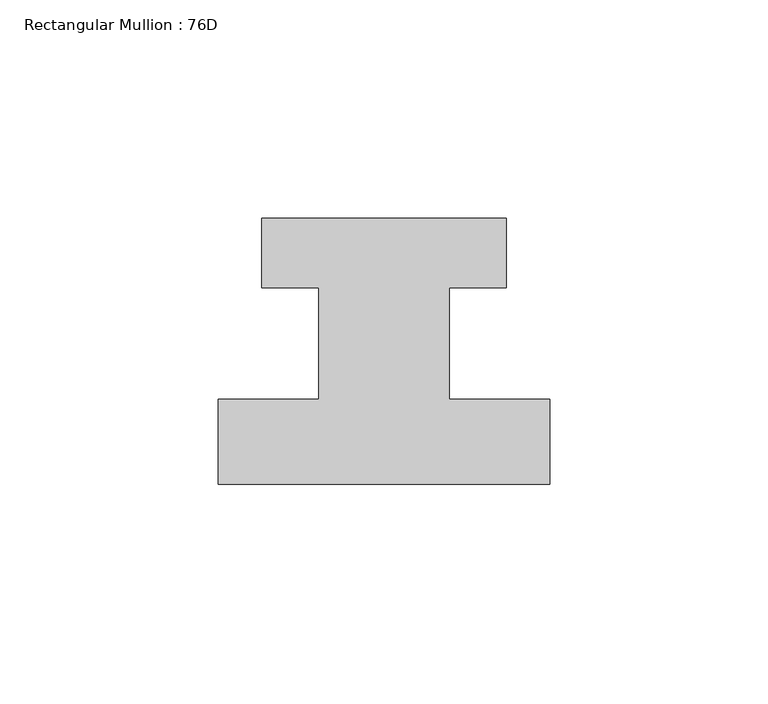
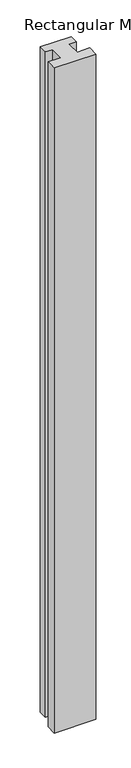
"""IFC4 building model written with IfcOpenShell, lengths in millimetres: member geometry, Rectangular Mullion : 76D."""

from ifc_helpers import new_model, si_unit, frame, origin, place, context, project, spatial, polyline, outline, extrude, source, transform, mapped, element, save


def rectangular_mullion_76d_ee37df1f(model_context):
    return source(origin(), model_context, "Body", "SweptSolid", [
        extrude(outline(polyline([(38.0, -20.0), (-38.0, -20.0), (-38.0, -0.5), (-15.0, -0.5), (-15.0, 25.0), (-28.0, 25.0), (-28.0, 41.0), (28.0, 41.0), (28.0, 25.0), (15.0, 25.0), (15.0, -0.5), (38.0, -0.5), (38.0, -20.0)])), frame((0.0, 0.0, -1286.0), z_axis=(0.0, 0.0, 1.0), x_axis=(1.0, 0.0, 0.0)), (0.0, 0.0, 1.0), 1286.0),
    ])


if __name__ == "__main__":
    model = new_model("IFC4")
    model_context = context("Model", 3, world=origin())
    ifc_project = project(units=[si_unit("LENGTHUNIT", "METRE", prefix="MILLI")], contexts=[model_context])
    site = spatial("IfcSite", under=ifc_project)
    building = spatial("IfcBuilding", under=site)
    placement = place(None, origin())
    rectangular_mullion_76d_shape = rectangular_mullion_76d_ee37df1f(model_context)
    element("IfcMember", 1, ObjectType="Rectangular Mullion : 76D", at=placement, inside=building, context=model_context, shape_type="MappedRepresentation", body=[
        mapped(rectangular_mullion_76d_shape, transform((0.0, 0.0, 0.0), x_axis=(1.0, 0.0, 0.0), y_axis=(0.0, 1.0, 0.0), z_axis=(0.0, 0.0, 1.0))),
    ])
    save(model, "model.ifc")
